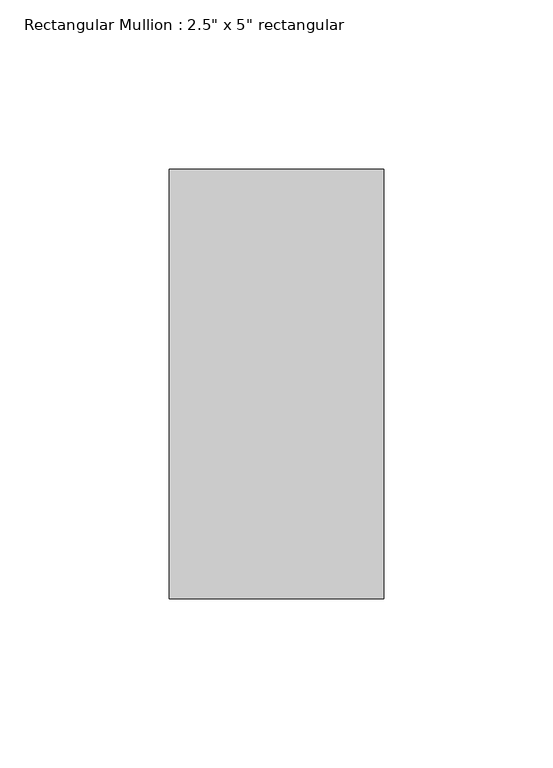
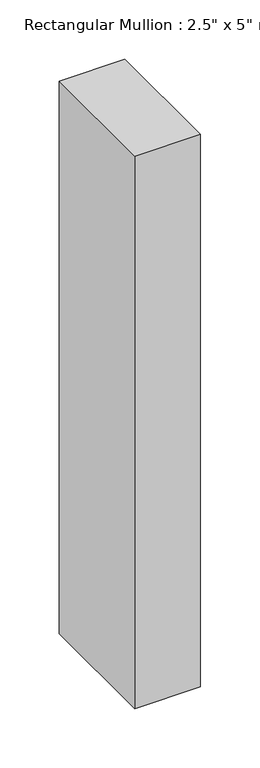
"""IFC4 building model written with IfcOpenShell, lengths in millimetres: member geometry."""

from ifc_helpers import new_model, si_unit, frame, origin, place, context, project, spatial, polyline, outline, extrude, source, transform, mapped, element, save


def member_f7cda814(model_context):
    return source(origin(), model_context, "Body", "SweptSolid", [
        extrude(outline(polyline([(0.0, 63.5), (0.0, -63.5), (-63.5, -63.5), (-63.5, 63.5), (0.0, 63.5)])), frame((0.0, 0.0, -567.2666667), z_axis=(0.0, 0.0, 1.0), x_axis=(1.0, 0.0, 0.0)), (0.0, 0.0, 1.0), 567.2666667),
    ])


if __name__ == "__main__":
    model = new_model("IFC4")
    model_context = context("Model", 3, world=origin())
    ifc_project = project(units=[si_unit("LENGTHUNIT", "METRE", prefix="MILLI")], contexts=[model_context])
    site = spatial("IfcSite", under=ifc_project)
    building = spatial("IfcBuilding", under=site)
    placement = place(None, origin())
    member_shape = member_f7cda814(model_context)
    element("IfcMember", 1, ObjectType="Rectangular Mullion : 2.5\" x 5\" rectangular", at=placement, inside=building, context=model_context, shape_type="MappedRepresentation", body=[
        mapped(member_shape, transform((0.0, 0.0, 0.0), x_axis=(1.0, 0.0, 0.0), y_axis=(0.0, 1.0, 0.0), z_axis=(0.0, 0.0, 1.0))),
    ])
    save(model, "model.ifc")
